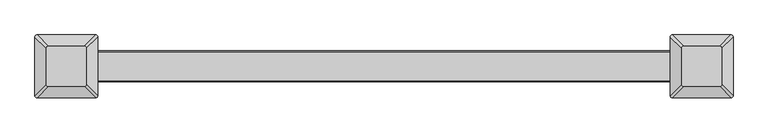
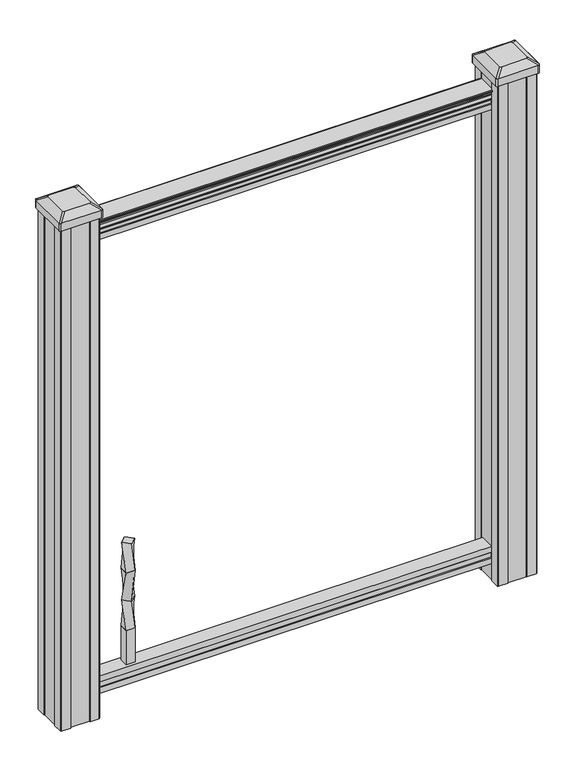
"""IFC4 building model written with IfcOpenShell, lengths in millimetres: proxy geometry."""

import ifcopenshell
import ifcopenshell.guid

model = None  # the IFC model being written
_history = None  # IfcOwnerHistory: only IFC2X3 demands one
_inside = {}  # id of a spatial element -> (the spatial element, [elements in it])
_under = {}  # id of a project, library or spatial element -> (it, [spatial elements below it])
_declared = {}  # id of a project -> (the project, [libraries it declares])
_typed = {}  # id of a type object -> (the type object, [elements of that type])
_made_of = {}  # id of a material, layer set ... -> (it, [elements and type objects made of it])


def new_model(schema):
    """Start an empty IFC model of exactly this schema.

    Asked for "IFC4X3", IfcOpenShell would pick the latest addendum, in which some entities
    have other attributes; the version numbers below select the first issue.
    IFC2X3 requires an IfcOwnerHistory on every rooted entity: one is made here for all.
    """
    global model, _history
    if schema == "IFC4X3":
        model = ifcopenshell.file(schema_version=(4, 3, 0, 0))
    else:
        model = ifcopenshell.file(schema=schema)
    _inside.clear()
    _under.clear()
    _declared.clear()
    _typed.clear()
    _made_of.clear()
    _history = None
    if model.schema == "IFC2X3":
        org = make("IfcOrganization", Name="unknown")
        user = make(
            "IfcPersonAndOrganization",
            ThePerson=make("IfcPerson", FamilyName="unknown"),
            TheOrganization=org,
        )
        app = make(
            "IfcApplication",
            ApplicationDeveloper=org,
            Version="unknown",
            ApplicationFullName="unknown",
            ApplicationIdentifier="unknown",
        )
        _history = make(
            "IfcOwnerHistory",
            OwningUser=user,
            OwningApplication=app,
            ChangeAction="ADDED",
            CreationDate=0,
        )
    return model


def make(cls, **values):
    """One entity of the class cls with the attributes given. An attribute that is None is left unset."""
    return model.create_entity(
        cls, **{name: value for name, value in values.items() if value is not None}
    )


def rooted(cls, **values):
    """An entity with a GlobalId (a new one), such as an element, a storey or a relation."""
    return make(cls, GlobalId=ifcopenshell.guid.new(), OwnerHistory=_history, **values)


def si_unit(unit_type, name, prefix=None):
    """IfcSIUnit, for example si_unit("LENGTHUNIT", "METRE", prefix="MILLI")."""
    return make("IfcSIUnit", UnitType=unit_type, Prefix=prefix, Name=name)


def assignment(units):
    """IfcUnitAssignment: the units of a project."""
    return None if units is None else make("IfcUnitAssignment", Units=units)


def point(xyz):
    """IfcCartesianPoint."""
    return None if xyz is None else make("IfcCartesianPoint", Coordinates=xyz)


def direction(xyz):
    """IfcDirection."""
    return None if xyz is None else make("IfcDirection", DirectionRatios=xyz)


def frame(location, z_axis=None, x_axis=None):
    """IfcAxis2Placement3D, a coordinate frame: its origin and axes. An axis left out is left unset."""
    return make(
        "IfcAxis2Placement3D",
        Location=point(location),
        Axis=direction(z_axis),
        RefDirection=direction(x_axis),
    )


def frame_2d(location, x_axis=None):
    """IfcAxis2Placement2D, a coordinate frame in the plane: its origin and x axis."""
    return make(
        "IfcAxis2Placement2D", Location=point(location), RefDirection=direction(x_axis)
    )


def origin():
    """The frame at (0, 0, 0) with its axes left unset."""
    return frame((0.0, 0.0, 0.0))


def place(relative_to, where):
    """IfcLocalPlacement: puts the frame where relative to a parent placement (None: the world)."""
    return make(
        "IfcLocalPlacement", PlacementRelTo=relative_to, RelativePlacement=where
    )


def context(
    kind, dimensions, precision=None, world=None, true_north=None, identifier=None
):
    """IfcGeometricRepresentationContext, for example the 3D "Model" context."""
    return make(
        "IfcGeometricRepresentationContext",
        ContextIdentifier=identifier,
        ContextType=kind,
        CoordinateSpaceDimension=dimensions,
        Precision=precision,
        WorldCoordinateSystem=world,
        TrueNorth=true_north,
    )


def project(units=None, contexts=None):
    """IfcProject with its units and contexts."""
    return rooted(
        "IfcProject",
        Name="project",
        RepresentationContexts=contexts,
        UnitsInContext=assignment(units),
    )


def spatial(cls, under=None, at=None, **own):
    """A site, building, storey or space (cls), placed at a placement, below another one or the project."""
    s = rooted(cls, ObjectPlacement=at, **own)
    if under is not None:
        _under.setdefault(under.id(), (under, []))[1].append(s)
    return s


def polyline(points):
    """IfcPolyline through the points."""
    return make("IfcPolyline", Points=[point(p) for p in points])


def circle_curve(where, radius):
    """IfcCircle in the frame where."""
    return make("IfcCircle", Position=where, Radius=radius)


def trimmed(basis, trim1, trim2, sense, master):
    """IfcTrimmedCurve: the piece of a basis curve between two trims."""
    return make(
        "IfcTrimmedCurve",
        BasisCurve=basis,
        Trim1=trim1,
        Trim2=trim2,
        SenseAgreement=sense,
        MasterRepresentation=master,
    )


def segment(curve, same_sense, transition):
    """IfcCompositeCurveSegment."""
    return make(
        "IfcCompositeCurveSegment",
        Transition=transition,
        SameSense=same_sense,
        ParentCurve=curve,
    )


def composite_curve(segments, self_intersect=None):
    """IfcCompositeCurve: segments joined end to end."""
    return make("IfcCompositeCurve", Segments=segments, SelfIntersect=self_intersect)


def outline(outer, holes=None, kind="AREA"):
    """IfcArbitraryClosedProfileDef: a profile drawn as a closed curve; with holes, ...WithVoids."""
    if holes is None:
        return make("IfcArbitraryClosedProfileDef", ProfileType=kind, OuterCurve=outer)
    return make(
        "IfcArbitraryProfileDefWithVoids",
        ProfileType=kind,
        OuterCurve=outer,
        InnerCurves=holes,
    )


def extrude(swept, where, along, depth):
    """IfcExtrudedAreaSolid: the profile swept, set in the frame where, extruded along a direction by depth."""
    return make(
        "IfcExtrudedAreaSolid",
        SweptArea=swept,
        Position=where,
        ExtrudedDirection=direction(along),
        Depth=depth,
    )


def shape(context_of_items, identifier, shape_type, items):
    """IfcShapeRepresentation: the items that make up one representation, for example the "Body"."""
    return make(
        "IfcShapeRepresentation",
        ContextOfItems=context_of_items,
        RepresentationIdentifier=identifier,
        RepresentationType=shape_type,
        Items=items,
    )


def source(mapping_origin, context_of_items, identifier, shape_type, items):
    """IfcRepresentationMap: a shape defined once, which mapped items show again and again."""
    return make(
        "IfcRepresentationMap",
        MappingOrigin=mapping_origin,
        MappedRepresentation=shape(context_of_items, identifier, shape_type, items),
    )


def transform(
    local_origin,
    x_axis=None,
    y_axis=None,
    z_axis=None,
    scale=None,
    scale2=None,
    scale3=None,
    uniform=True,
):
    """IfcCartesianTransformationOperator3D, or its non-uniform kind. x_axis, y_axis, z_axis: its Axis1, 2, 3."""
    if uniform:
        return make(
            "IfcCartesianTransformationOperator3D",
            Axis1=direction(x_axis),
            Axis2=direction(y_axis),
            LocalOrigin=point(local_origin),
            Scale=scale,
            Axis3=direction(z_axis),
        )
    return make(
        "IfcCartesianTransformationOperator3DnonUniform",
        Axis1=direction(x_axis),
        Axis2=direction(y_axis),
        LocalOrigin=point(local_origin),
        Scale=scale,
        Axis3=direction(z_axis),
        Scale2=scale2,
        Scale3=scale3,
    )


def mapped(mapping_source, mapping_target):
    """IfcMappedItem: shows the shape of a source again, moved by a transform."""
    return make(
        "IfcMappedItem", MappingSource=mapping_source, MappingTarget=mapping_target
    )


def made_of(thing, what):
    """Note that an element or type object is made of a material, layer set ...; save() writes the relation."""
    if what is not None:
        _made_of.setdefault(what.id(), (what, []))[1].append(thing)
    return thing


def element(
    cls,
    number,
    at=None,
    inside=None,
    cuts=None,
    type_object=None,
    material=None,
    context=None,
    identifier="Body",
    shape_type=None,
    held_by="IfcProductDefinitionShape",
    body=None,
    shapes=None,
    **own,
):
    """One element of the class cls, such as IfcWall. Its Tag is "e" and its number.

    at: its placement. inside: the storey or other place that contains it. cuts: it is an
    opening in that element (IfcRelVoidsElement). A single representation is given by context,
    identifier, shape_type and body (its items); several are given by shapes. held_by: the class
    of the entity that holds the representations. save() writes the other relations.
    """
    e = rooted(cls, Tag="e%d" % number, ObjectPlacement=at, **own)
    if body is not None:
        shapes = [shape(context, identifier, shape_type, body)]
    if shapes is not None:
        e.Representation = make(held_by, Representations=shapes)
    if inside is not None:
        _inside.setdefault(inside.id(), (inside, []))[1].append(e)
    if cuts is not None:
        rooted(
            "IfcRelVoidsElement", RelatingBuildingElement=cuts, RelatedOpeningElement=e
        )
    if type_object is not None:
        _typed.setdefault(type_object.id(), (type_object, []))[1].append(e)
    return made_of(e, material)


def aggregate(whole, parts):
    """IfcRelAggregates: a whole, such as a stair, and the parts it consists of."""
    return rooted("IfcRelAggregates", RelatingObject=whole, RelatedObjects=parts)


def save(model, path):
    """Write the relations noted so far, then the file.

    IfcRelAggregates (storeys below a building ...), IfcRelContainedInSpatialStructure (elements
    in a storey), IfcRelDefinesByType, IfcRelAssociatesMaterial and IfcRelDeclares: one each for
    every whole, place, type object, material and project.
    """
    for whole, parts in _under.values():
        aggregate(whole, parts)
    for where, things in _inside.values():
        rooted(
            "IfcRelContainedInSpatialStructure",
            RelatedElements=things,
            RelatingStructure=where,
        )
    for kind, things in _typed.values():
        rooted("IfcRelDefinesByType", RelatedObjects=things, RelatingType=kind)
    for what, things in _made_of.values():
        rooted("IfcRelAssociatesMaterial", RelatedObjects=things, RelatingMaterial=what)
    for by, libraries in _declared.values():
        rooted("IfcRelDeclares", RelatingContext=by, RelatedDefinitions=libraries)
    model.write(path)


def plane_surface(at):
    """IfcPlane: the flat surface through the origin of the frame at, square to its z axis."""
    return make("IfcPlane", Position=at)


def extruded_surface(curve, direction_of_extrusion, depth):
    """IfcSurfaceOfLinearExtrusion: the curve pushed along a direction by depth."""
    return make(
        "IfcSurfaceOfLinearExtrusion",
        SweptCurve=make("IfcArbitraryOpenProfileDef", ProfileType="CURVE", Curve=curve),
        ExtrudedDirection=direction(direction_of_extrusion),
        Depth=depth,
    )


def spline_surface(u_degree, v_degree, points, u_multiplicities, v_multiplicities, u_knots, v_knots, weights=None):
    """IfcBSplineSurfaceWithKnots; with weights, IfcRationalBSplineSurfaceWithKnots. points: one row for each step in u."""
    own = dict(
        UDegree=u_degree,
        VDegree=v_degree,
        ControlPointsList=[[point(p) for p in row] for row in points],
        SurfaceForm="UNSPECIFIED",
        UClosed=False,
        VClosed=False,
        SelfIntersect=False,
        UMultiplicities=u_multiplicities,
        VMultiplicities=v_multiplicities,
        UKnots=u_knots,
        VKnots=v_knots,
        KnotSpec="UNSPECIFIED",
    )
    if weights is None:
        return make("IfcBSplineSurfaceWithKnots", **own)
    return make("IfcRationalBSplineSurfaceWithKnots", WeightsData=weights, **own)


def advanced_brep(points, edges, surfaces, faces):
    """IfcAdvancedBrep: a solid bounded by faces that lie on surfaces and meet in shared edges.

    An edge is (start, end): straight between two places in points (the first is 0);
    or (start, end, curve); or (start, end, curve, False) where it runs against its curve.
    A face is (place in surfaces, loops), or (place, loops, False) where it looks against
    its surface's normal. A loop lists edges by number (the first is 1), with a minus sign
    where the edge is run from its end to its start. The first loop is the outer one.
    """
    corners = [point(p) for p in points]
    vertices = [make("IfcVertexPoint", VertexGeometry=c) for c in corners]
    made = []
    for start, end, *more in edges:
        made.append(
            make(
                "IfcEdgeCurve",
                EdgeStart=vertices[start],
                EdgeEnd=vertices[end],
                EdgeGeometry=more[0] if more else make("IfcPolyline", Points=[corners[start], corners[end]]),
                SameSense=more[1] if len(more) > 1 else True,
            )
        )
    hull = []
    for where, loops, *sense in faces:
        bounds = []
        for j, loop in enumerate(loops):
            ring = [make("IfcOrientedEdge", EdgeElement=made[abs(k) - 1], Orientation=k > 0) for k in loop]
            bounds.append(
                make(
                    "IfcFaceOuterBound" if j == 0 else "IfcFaceBound",
                    Bound=make("IfcEdgeLoop", EdgeList=ring),
                    Orientation=True,
                )
            )
        hull.append(make("IfcAdvancedFace", Bounds=bounds, FaceSurface=surfaces[where], SameSense=sense[0] if sense else True))
    return make("IfcAdvancedBrep", Outer=make("IfcClosedShell", CfsFaces=hull))


def specialty_equipment_5d429b3c(model_context):
    return source(origin(), model_context, "Body", "SolidModel", [
        advanced_brep(
        [(-333.375, 13.4703842, 368.3), (-346.8453842, 0.0, 368.3), (-333.375, -13.4703842, 368.3), (-319.9046158, 0.0, 368.3), (-342.9, 9.525, 304.8), (-323.85, 9.525, 304.8), (-323.85, -9.525, 304.8), (-342.9, -9.525, 304.8)],
        [
            (0, 1),
            (1, 2),
            (2, 3),
            (3, 0),
            (4, 5),
            (5, 6),
            (6, 7),
            (7, 4),
            (4, 0),
            (3, 5),
            (2, 6),
            (1, 7),
        ],
        [
            plane_surface(frame((-333.375, 0.0, 368.3), z_axis=(0.0, 0.0, 1.0000000000000002), x_axis=(0.7071067811865481, -0.707106781186547, 0.0))),
            plane_surface(frame((-333.375, 0.0, 304.8), z_axis=(0.0, 0.0, -1.0000000000000002), x_axis=(0.7071067811865481, -0.707106781186547, 0.0))),
            spline_surface(1, 1, [[(-323.85, 9.525, 304.8), (-319.9046158, 0.0, 368.3)], [(-342.9, 9.525, 304.8), (-333.375, 13.4703842, 368.3)]], [2, 2], [2, 2], [0.0, 1.0], [0.0, 1.0]),
            spline_surface(1, 1, [[(-323.85, -9.525, 304.8), (-333.375, -13.4703842, 368.3)], [(-323.85, 9.525, 304.8), (-319.9046158, 0.0, 368.3)]], [2, 2], [2, 2], [0.0, 1.0], [0.0, 1.0]),
            spline_surface(1, 1, [[(-342.9, -9.525, 304.8), (-346.8453842, 0.0, 368.3)], [(-323.85, -9.525, 304.8), (-333.375, -13.4703842, 368.3)]], [2, 2], [2, 2], [0.0, 1.0], [0.0, 1.0]),
            spline_surface(1, 1, [[(-342.9, 9.525, 304.8), (-333.375, 13.4703842, 368.3)], [(-342.9, -9.525, 304.8), (-346.8453842, 0.0, 368.3)]], [2, 2], [2, 2], [0.0, 1.0], [0.0, 1.0]),
        ],
        [
            (0, [[1, 2, 3, 4]]),
            (1, [[5, 6, 7, 8]]),
            (2, [[-5, 9, -4, 10]]),
            (3, [[-6, -10, -3, 11]]),
            (4, [[-7, -11, -2, 12]]),
            (5, [[-8, -12, -1, -9]]),
        ],
    ),
        advanced_brep(
        [(-342.9, 9.525, 304.8), (-342.9, -9.525, 304.8), (-323.85, -9.525, 304.8), (-323.85, 9.525, 304.8), (-333.375, 13.4703842, 241.3), (-319.9046158, 0.0, 241.3), (-333.375, -13.4703842, 241.3), (-346.8453842, 0.0, 241.3)],
        [
            (0, 1),
            (1, 2),
            (2, 3),
            (3, 0),
            (4, 5),
            (5, 6),
            (6, 7),
            (7, 4),
            (4, 0),
            (3, 5),
            (2, 6),
            (1, 7),
        ],
        [
            plane_surface(frame((-333.375, 0.0, 304.8), z_axis=(0.0, 0.0, 1.0), x_axis=(0.0, -1.0, 0.0))),
            plane_surface(frame((-333.375, 0.0, 241.3), z_axis=(0.0, 0.0, -1.0), x_axis=(0.0, -1.0, 0.0))),
            spline_surface(1, 1, [[(-319.9046158, 0.0, 241.3), (-323.85, 9.525, 304.8)], [(-333.375, 13.4703842, 241.3), (-342.9, 9.525, 304.8)]], [2, 2], [2, 2], [0.0, 1.0], [0.0, 1.0]),
            spline_surface(1, 1, [[(-333.375, -13.4703842, 241.3), (-323.85, -9.525, 304.8)], [(-319.9046158, 0.0, 241.3), (-323.85, 9.525, 304.8)]], [2, 2], [2, 2], [0.0, 1.0], [0.0, 1.0]),
            spline_surface(1, 1, [[(-346.8453842, 0.0, 241.3), (-342.9, -9.525, 304.8)], [(-333.375, -13.4703842, 241.3), (-323.85, -9.525, 304.8)]], [2, 2], [2, 2], [0.0, 1.0], [0.0, 1.0]),
            spline_surface(1, 1, [[(-333.375, 13.4703842, 241.3), (-342.9, 9.525, 304.8)], [(-346.8453842, 0.0, 241.3), (-342.9, -9.525, 304.8)]], [2, 2], [2, 2], [0.0, 1.0], [0.0, 1.0]),
        ],
        [
            (0, [[1, 2, 3, 4]]),
            (1, [[5, 6, 7, 8]]),
            (2, [[-5, 9, -4, 10]]),
            (3, [[-6, -10, -3, 11]]),
            (4, [[-7, -11, -2, 12]]),
            (5, [[-8, -12, -1, -9]]),
        ],
    ),
        advanced_brep(
        [(-333.375, 13.4703842, 241.3), (-346.8453842, 0.0, 241.3), (-333.375, -13.4703842, 241.3), (-319.9046158, 0.0, 241.3), (-342.9, 9.525, 177.8), (-323.85, 9.525, 177.8), (-323.85, -9.525, 177.8), (-342.9, -9.525, 177.8)],
        [
            (0, 1),
            (1, 2),
            (2, 3),
            (3, 0),
            (4, 5),
            (5, 6),
            (6, 7),
            (7, 4),
            (4, 0),
            (3, 5),
            (2, 6),
            (1, 7),
        ],
        [
            plane_surface(frame((-333.375, 0.0, 241.3), z_axis=(0.0, 0.0, 1.0000000000000002), x_axis=(0.7071067811865481, -0.707106781186547, 0.0))),
            plane_surface(frame((-333.375, 0.0, 177.8), z_axis=(0.0, 0.0, -1.0000000000000002), x_axis=(0.7071067811865481, -0.707106781186547, 0.0))),
            spline_surface(1, 1, [[(-323.85, 9.525, 177.8), (-319.9046158, 0.0, 241.3)], [(-342.9, 9.525, 177.8), (-333.375, 13.4703842, 241.3)]], [2, 2], [2, 2], [0.0, 1.0], [0.0, 1.0]),
            spline_surface(1, 1, [[(-323.85, -9.525, 177.8), (-333.375, -13.4703842, 241.3)], [(-323.85, 9.525, 177.8), (-319.9046158, 0.0, 241.3)]], [2, 2], [2, 2], [0.0, 1.0], [0.0, 1.0]),
            spline_surface(1, 1, [[(-342.9, -9.525, 177.8), (-346.8453842, 0.0, 241.3)], [(-323.85, -9.525, 177.8), (-333.375, -13.4703842, 241.3)]], [2, 2], [2, 2], [0.0, 1.0], [0.0, 1.0]),
            spline_surface(1, 1, [[(-342.9, 9.525, 177.8), (-333.375, 13.4703842, 241.3)], [(-342.9, -9.525, 177.8), (-346.8453842, 0.0, 241.3)]], [2, 2], [2, 2], [0.0, 1.0], [0.0, 1.0]),
        ],
        [
            (0, [[1, 2, 3, 4]]),
            (1, [[5, 6, 7, 8]]),
            (2, [[-5, 9, -4, 10]]),
            (3, [[-6, -10, -3, 11]]),
            (4, [[-7, -11, -2, 12]]),
            (5, [[-8, -12, -1, -9]]),
        ],
    ),
        extrude(outline(polyline([(-323.85, 9.525), (-323.85, -9.525), (-342.9, -9.525), (-342.9, 9.525), (-323.85, 9.525)])), frame((0.0, 0.0, 101.6), z_axis=(0.0, 0.0, 1.0), x_axis=(1.0, 0.0, 0.0)), (0.0, 0.0, 1.0), 76.2),
        extrude(outline(composite_curve([segment(polyline([(1090.8043297, 17.4328287), (1092.692412, 17.4328287)]), True, "CONTINUOUS"), segment(trimmed(circle_curve(frame_2d((1098.4506383, 11.1180755)), 8.545951), [point((1092.692412, 17.4328287))], [point((1094.2546695, 18.563015))], False, "CARTESIAN"), True, "CONTINUOUS"), segment(trimmed(circle_curve(frame_2d((1097.8636577, 11.5551384)), 7.882584), [point((1094.2546695, 18.563015))], [point((1101.4726458, 18.563015))], False, "CARTESIAN"), True, "CONTINUOUS"), segment(trimmed(circle_curve(frame_2d((1103.7112527, 22.0684625)), 4.1592695), [point((1101.4726458, 18.563015))], [point((1103.9060812, 17.9137586))], True, "CARTESIAN"), True, "CONTINUOUS"), segment(trimmed(circle_curve(frame_2d((1103.6508864, 23.3557691)), 5.4479907), [point((1103.9060812, 17.9137586))], [point((1108.2362083, 20.4137586))], True, "CARTESIAN"), True, "CONTINUOUS"), segment(trimmed(circle_curve(frame_2d((1108.233395, 22.1226107)), 1.7088543), [point((1108.2362083, 20.4137586))], [point((1109.9157972, 21.8231011))], True, "CARTESIAN"), True, "CONTINUOUS"), segment(trimmed(circle_curve(frame_2d((1111.0205318, 20.5057106)), 1.7192895), [point((1109.9157972, 21.8231011))], [point((1111.0205318, 22.2250001))], False, "CARTESIAN"), True, "CONTINUOUS"), segment(polyline([(1111.0205318, 22.2250001), (1112.3608158, 22.225)]), True, "CONTINUOUS"), segment(trimmed(circle_curve(frame_2d((1112.3608158, 20.6715528)), 1.5534472), [point((1112.3608158, 22.225))], [point((1113.914263, 20.6715528))], False, "CARTESIAN"), True, "CONTINUOUS"), segment(polyline([(1113.914263, 20.6715528), (1113.914263, -20.6715528)]), True, "CONTINUOUS"), segment(trimmed(circle_curve(frame_2d((1112.3608158, -20.6715528)), 1.5534472), [point((1113.914263, -20.6715528))], [point((1112.3608158, -22.225))], False, "CARTESIAN"), True, "CONTINUOUS"), segment(polyline([(1112.3608158, -22.225), (1111.0205318, -22.225)]), True, "CONTINUOUS"), segment(trimmed(circle_curve(frame_2d((1111.0205318, -20.5057106)), 1.7192895), [point((1111.0205318, -22.225))], [point((1109.9157972, -21.8231011))], False, "CARTESIAN"), True, "CONTINUOUS"), segment(trimmed(circle_curve(frame_2d((1108.233395, -22.1226107)), 1.7088543), [point((1109.9157972, -21.8231011))], [point((1108.2362083, -20.4137586))], True, "CARTESIAN"), True, "CONTINUOUS"), segment(trimmed(circle_curve(frame_2d((1103.6508864, -23.3557691)), 5.4479907), [point((1108.2362083, -20.4137586))], [point((1103.9060812, -17.9137586))], True, "CARTESIAN"), True, "CONTINUOUS"), segment(trimmed(circle_curve(frame_2d((1103.7112527, -22.0684625)), 4.1592695), [point((1103.9060812, -17.9137586))], [point((1101.4726458, -18.563015))], True, "CARTESIAN"), True, "CONTINUOUS"), segment(trimmed(circle_curve(frame_2d((1097.8636577, -11.5551384)), 7.882584), [point((1101.4726458, -18.563015))], [point((1094.2546695, -18.563015))], False, "CARTESIAN"), True, "CONTINUOUS"), segment(trimmed(circle_curve(frame_2d((1098.4506383, -11.1180755)), 8.545951), [point((1094.2546695, -18.563015))], [point((1092.692412, -17.4328287))], False, "CARTESIAN"), True, "CONTINUOUS"), segment(polyline([(1092.692412, -17.4328287), (1090.8043297, -17.4328287)]), True, "CONTINUOUS"), segment(trimmed(circle_curve(frame_2d((1090.8043297, -16.1459144)), 1.2869144), [point((1090.8043297, -17.4328287))], [point((1090.8043297, -14.859))], False, "CARTESIAN"), True, "CONTINUOUS"), segment(polyline([(1090.8043297, -14.859), (1080.3048283, -14.859), (1079.2888283, -15.875), (1066.8, -15.875), (1066.8, 15.875), (1079.131013, 15.875), (1080.147013, 14.859), (1090.8043297, 14.859)]), True, "CONTINUOUS"), segment(trimmed(circle_curve(frame_2d((1090.8043297, 16.1459144)), 1.2869144), [point((1090.8043297, 14.859))], [point((1090.8043297, 17.4328287))], False, "CARTESIAN"), True, "CONTINUOUS")], self_intersect=False)), frame((457.2, 0.0, 0.0), z_axis=(-1.0, 0.0, 0.0), x_axis=(0.0, 0.0, 1.0)), (0.0, 0.0, 1.0), 914.4),
        extrude(outline(polyline([(-15.9124869, 76.0541976), (-14.8964869, 77.3546183), (-14.8964869, 87.7141717), (-15.9124869, 89.0624492), (-15.9124869, 101.5958781), (15.8375131, 101.5958781), (15.8375131, 89.0458024), (14.8215131, 87.6975248), (14.8215131, 77.3858283), (15.8375131, 76.0375508), (15.8375131, 63.5), (-15.9124869, 63.5), (-15.9124869, 76.0541976)])), frame((-457.2, 0.0, 0.0), z_axis=(1.0, 0.0, 0.0), x_axis=(0.0, 1.0, 0.0)), (0.0, 0.0, 1.0), 914.4),
        advanced_brep(
        [(431.403125, 28.971875, 1165.225), (428.228125, 25.796875, 1165.225), (428.228125, -25.796875, 1165.225), (431.403125, -28.971875, 1165.225), (482.996875, -28.971875, 1165.225), (486.171875, -25.796875, 1165.225), (486.171875, 25.796875, 1165.225), (482.996875, 28.971875, 1165.225), (415.13125, 45.24375, 1153.922), (499.26875, 45.24375, 1153.922), (502.44375, 42.06875, 1153.922), (502.44375, -42.06875, 1153.922), (499.26875, -45.24375, 1153.922), (415.13125, -45.24375, 1153.922), (411.95625, -42.06875, 1153.922), (411.95625, 42.06875, 1153.922)],
        [
            (0, 1, circle_curve(frame((431.403125, 25.796875, 1165.225), z_axis=(0.0, 0.0, 1.0), x_axis=(0.0, -1.0, 0.0)), 3.175)),
            (1, 2),
            (2, 3, circle_curve(frame((431.403125, -25.796875, 1165.225), z_axis=(0.0, 0.0, 1.0), x_axis=(0.0, -1.0, 0.0)), 3.175)),
            (3, 4),
            (4, 5, circle_curve(frame((482.996875, -25.796875, 1165.225), z_axis=(0.0, 0.0, 1.0), x_axis=(0.0, -1.0, 0.0)), 3.175)),
            (5, 6),
            (6, 7, circle_curve(frame((482.996875, 25.796875, 1165.225), z_axis=(0.0, 0.0, 1.0), x_axis=(0.0, -1.0, 0.0)), 3.175)),
            (7, 0),
            (8, 9),
            (9, 10, circle_curve(frame((499.26875, 42.06875, 1153.922), z_axis=(0.0, 0.0, -1.0), x_axis=(0.0, -1.0, 0.0)), 3.175)),
            (10, 11),
            (11, 12, circle_curve(frame((499.26875, -42.06875, 1153.922), z_axis=(0.0, 0.0, -1.0), x_axis=(0.0, -1.0, 0.0)), 3.175)),
            (12, 13),
            (13, 14, circle_curve(frame((415.13125, -42.06875, 1153.922), z_axis=(0.0, 0.0, -1.0), x_axis=(0.0, -1.0, 0.0)), 3.175)),
            (14, 15),
            (15, 8, circle_curve(frame((415.13125, 42.06875, 1153.922), z_axis=(0.0, 0.0, -1.0), x_axis=(0.0, -1.0, 0.0)), 3.175)),
            (15, 1),
            (0, 8),
            (14, 2),
            (13, 3),
            (12, 4),
            (11, 5),
            (10, 6),
            (9, 7),
        ],
        [
            plane_surface(frame((457.2, 0.0, 1165.225), z_axis=(0.0, 0.0, 1.0), x_axis=(-1.0, 0.0, 0.0))),
            plane_surface(frame((457.2, 0.0, 1153.922), z_axis=(0.0, 0.0, -1.0), x_axis=(-1.0, 0.0, 0.0))),
            extruded_surface(trimmed(circle_curve(frame((415.13125, 42.06875, 1153.922), z_axis=(0.0, 0.0, 1.0), x_axis=(0.0, -1.0, 0.0)), 3.175), [point((415.13125, 45.24375, 1153.922))], [point((411.95625, 42.06875, 1153.922))], True, "CARTESIAN"), (16.271874999999966, -16.271875, 11.302999999999884), 25.637972638866092),
            plane_surface(frame((411.95625, 0.0, 1153.922), z_axis=(-0.5705009161540777, 0.0, 0.8212969649690409), x_axis=(0.0, -1.0, 0.0))),
            extruded_surface(trimmed(circle_curve(frame((415.13125, -42.06875, 1153.922), z_axis=(0.0, 0.0, 1.0), x_axis=(0.0, -1.0, 0.0)), 3.175), [point((411.95625, -42.06875, 1153.922))], [point((415.13125, -45.24375, 1153.922))], True, "CARTESIAN"), (16.271874999999966, 16.271875, 11.302999999999884), 25.637972638866092),
            plane_surface(frame((457.2, -45.24375, 1153.922), z_axis=(0.0, -0.5705009161540291, 0.8212969649690747), x_axis=(1.0, 0.0, 0.0))),
            extruded_surface(trimmed(circle_curve(frame((499.26875, -42.06875, 1153.922), z_axis=(0.0, 0.0, 1.0), x_axis=(0.0, -1.0, 0.0)), 3.175), [point((499.26875, -45.24375, 1153.922))], [point((502.44375, -42.06875, 1153.922))], True, "CARTESIAN"), (-16.271875000000023, 16.271875, 11.302999999999884), 25.637972638866128),
            plane_surface(frame((502.44375, 0.0, 1153.922), z_axis=(0.5705009161540143, 0.0, 0.821296964969085), x_axis=(0.0, 1.0, 0.0))),
            extruded_surface(trimmed(circle_curve(frame((499.26875, 42.06875, 1153.922), z_axis=(0.0, 0.0, 1.0), x_axis=(0.0, -1.0, 0.0)), 3.175), [point((502.44375, 42.06875, 1153.922))], [point((499.26875, 45.24375, 1153.922))], True, "CARTESIAN"), (-16.271875000000023, -16.271875, 11.302999999999884), 25.637972638866128),
            plane_surface(frame((457.2, 45.24375, 1153.922), z_axis=(0.0, 0.570500916154034, 0.8212969649690713), x_axis=(-1.0, 0.0, 0.0))),
        ],
        [
            (0, [[1, 2, 3, 4, 5, 6, 7, 8]]),
            (1, [[9, 10, 11, 12, 13, 14, 15, 16]]),
            (2, [[-16, 17, -1, 18]]),
            (3, [[-15, 19, -2, -17]]),
            (4, [[-14, 20, -3, -19]]),
            (5, [[-13, 21, -4, -20]]),
            (6, [[-12, 22, -5, -21]]),
            (7, [[-11, 23, -6, -22]]),
            (8, [[-10, 24, -7, -23]]),
            (9, [[-9, -18, -8, -24]]),
        ],
    ),
        extrude(outline(composite_curve([segment(polyline([(415.13125, 45.24375), (499.26875, 45.24375)]), True, "CONTINUOUS"), segment(trimmed(circle_curve(frame_2d((499.26875, 42.06875)), 3.175), [point((499.26875, 45.24375))], [point((502.44375, 42.06875))], False, "CARTESIAN"), True, "CONTINUOUS"), segment(polyline([(502.44375, 42.06875), (502.44375, -42.06875)]), True, "CONTINUOUS"), segment(trimmed(circle_curve(frame_2d((499.26875, -42.06875)), 3.175), [point((502.44375, -42.06875))], [point((499.26875, -45.24375))], False, "CARTESIAN"), True, "CONTINUOUS"), segment(polyline([(499.26875, -45.24375), (415.13125, -45.24375)]), True, "CONTINUOUS"), segment(trimmed(circle_curve(frame_2d((415.13125, -42.06875)), 3.175), [point((415.13125, -45.24375))], [point((411.95625, -42.06875))], False, "CARTESIAN"), True, "CONTINUOUS"), segment(polyline([(411.95625, -42.06875), (411.95625, 42.06875)]), True, "CONTINUOUS"), segment(trimmed(circle_curve(frame_2d((415.13125, 42.06875)), 3.175), [point((411.95625, 42.06875))], [point((415.13125, 45.24375))], False, "CARTESIAN"), True, "CONTINUOUS")], self_intersect=False)), frame((0.0, 0.0, 1136.65), z_axis=(0.0, 0.0, 1.0), x_axis=(1.0, 0.0, 0.0)), (0.0, 0.0, 1.0), 17.272),
        extrude(outline(polyline([(417.5125, 41.275), (437.134, 41.275), (437.896, 39.6875), (476.504, 39.6875), (477.266, 41.275), (496.8875, 41.275), (498.475, 39.6875), (498.475, 20.066), (496.8875, 19.304), (496.8875, -19.304), (498.475, -20.066), (498.475, -39.6875), (496.8875, -41.275), (477.266, -41.275), (476.504, -39.6875), (437.896, -39.6875), (437.134, -41.275), (417.5125, -41.275), (415.925, -39.6875), (415.925, -20.066), (417.5125, -19.304), (417.5125, 19.304), (415.925, 20.066), (415.925, 39.6875), (417.5125, 41.275)])), frame((0.0, 0.0, 28.575), z_axis=(0.0, 0.0, 1.0), x_axis=(1.0, 0.0, 0.0)), (0.0, 0.0, 1.0), 1108.075),
        advanced_brep(
        [(-482.996875, 28.971875, 1165.225), (-486.171875, 25.796875, 1165.225), (-486.171875, -25.796875, 1165.225), (-482.996875, -28.971875, 1165.225), (-431.403125, -28.971875, 1165.225), (-428.228125, -25.796875, 1165.225), (-428.228125, 25.796875, 1165.225), (-431.403125, 28.971875, 1165.225), (-499.26875, 45.24375, 1153.922), (-415.13125, 45.24375, 1153.922), (-411.95625, 42.06875, 1153.922), (-411.95625, -42.06875, 1153.922), (-415.13125, -45.24375, 1153.922), (-499.26875, -45.24375, 1153.922), (-502.44375, -42.06875, 1153.922), (-502.44375, 42.06875, 1153.922)],
        [
            (0, 1, circle_curve(frame((-482.996875, 25.796875, 1165.225), z_axis=(0.0, 0.0, 1.0), x_axis=(0.0, -1.0, 0.0)), 3.175)),
            (1, 2),
            (2, 3, circle_curve(frame((-482.996875, -25.796875, 1165.225), z_axis=(0.0, 0.0, 1.0), x_axis=(0.0, -1.0, 0.0)), 3.175)),
            (3, 4),
            (4, 5, circle_curve(frame((-431.403125, -25.796875, 1165.225), z_axis=(0.0, 0.0, 1.0), x_axis=(0.0, -1.0, 0.0)), 3.175)),
            (5, 6),
            (6, 7, circle_curve(frame((-431.403125, 25.796875, 1165.225), z_axis=(0.0, 0.0, 1.0), x_axis=(0.0, -1.0, 0.0)), 3.175)),
            (7, 0),
            (8, 9),
            (9, 10, circle_curve(frame((-415.13125, 42.06875, 1153.922), z_axis=(0.0, 0.0, -1.0), x_axis=(0.0, -1.0, 0.0)), 3.175)),
            (10, 11),
            (11, 12, circle_curve(frame((-415.13125, -42.06875, 1153.922), z_axis=(0.0, 0.0, -1.0), x_axis=(0.0, -1.0, 0.0)), 3.175)),
            (12, 13),
            (13, 14, circle_curve(frame((-499.26875, -42.06875, 1153.922), z_axis=(0.0, 0.0, -1.0), x_axis=(0.0, -1.0, 0.0)), 3.175)),
            (14, 15),
            (15, 8, circle_curve(frame((-499.26875, 42.06875, 1153.922), z_axis=(0.0, 0.0, -1.0), x_axis=(0.0, -1.0, 0.0)), 3.175)),
            (15, 1),
            (0, 8),
            (14, 2),
            (13, 3),
            (12, 4),
            (11, 5),
            (10, 6),
            (9, 7),
        ],
        [
            plane_surface(frame((-457.2, 0.0, 1165.225), z_axis=(0.0, 0.0, 1.0), x_axis=(-1.0, 0.0, 0.0))),
            plane_surface(frame((-457.2, 0.0, 1153.922), z_axis=(0.0, 0.0, -1.0), x_axis=(-1.0, 0.0, 0.0))),
            extruded_surface(trimmed(circle_curve(frame((-499.26875, 42.06875, 1153.922), z_axis=(0.0, 0.0, 1.0), x_axis=(0.0, -1.0, 0.0)), 3.175), [point((-499.26875, 45.24375, 1153.922))], [point((-502.44375, 42.06875, 1153.922))], True, "CARTESIAN"), (16.271875000000023, -16.271875, 11.302999999999884), 25.637972638866128),
            plane_surface(frame((-502.44375, 0.0, 1153.922), z_axis=(-0.5705009161540777, 0.0, 0.8212969649690409), x_axis=(0.0, -1.0, 0.0))),
            extruded_surface(trimmed(circle_curve(frame((-499.26875, -42.06875, 1153.922), z_axis=(0.0, 0.0, 1.0), x_axis=(0.0, -1.0, 0.0)), 3.175), [point((-502.44375, -42.06875, 1153.922))], [point((-499.26875, -45.24375, 1153.922))], True, "CARTESIAN"), (16.271875000000023, 16.271875, 11.302999999999884), 25.637972638866128),
            plane_surface(frame((-457.2, -45.24375, 1153.922), z_axis=(0.0, -0.5705009161540291, 0.8212969649690747), x_axis=(1.0, 0.0, 0.0))),
            extruded_surface(trimmed(circle_curve(frame((-415.13125, -42.06875, 1153.922), z_axis=(0.0, 0.0, 1.0), x_axis=(0.0, -1.0, 0.0)), 3.175), [point((-415.13125, -45.24375, 1153.922))], [point((-411.95625, -42.06875, 1153.922))], True, "CARTESIAN"), (-16.271874999999966, 16.271875, 11.302999999999884), 25.637972638866092),
            plane_surface(frame((-411.95625, 0.0, 1153.922), z_axis=(0.5705009161540143, 0.0, 0.821296964969085), x_axis=(0.0, 1.0, 0.0))),
            extruded_surface(trimmed(circle_curve(frame((-415.13125, 42.06875, 1153.922), z_axis=(0.0, 0.0, 1.0), x_axis=(0.0, -1.0, 0.0)), 3.175), [point((-411.95625, 42.06875, 1153.922))], [point((-415.13125, 45.24375, 1153.922))], True, "CARTESIAN"), (-16.271874999999966, -16.271875, 11.302999999999884), 25.637972638866092),
            plane_surface(frame((-457.2, 45.24375, 1153.922), z_axis=(0.0, 0.570500916154034, 0.8212969649690713), x_axis=(-1.0, 0.0, 0.0))),
        ],
        [
            (0, [[1, 2, 3, 4, 5, 6, 7, 8]]),
            (1, [[9, 10, 11, 12, 13, 14, 15, 16]]),
            (2, [[-16, 17, -1, 18]]),
            (3, [[-15, 19, -2, -17]]),
            (4, [[-14, 20, -3, -19]]),
            (5, [[-13, 21, -4, -20]]),
            (6, [[-12, 22, -5, -21]]),
            (7, [[-11, 23, -6, -22]]),
            (8, [[-10, 24, -7, -23]]),
            (9, [[-9, -18, -8, -24]]),
        ],
    ),
        extrude(outline(composite_curve([segment(polyline([(-499.26875, 45.24375), (-415.13125, 45.24375)]), True, "CONTINUOUS"), segment(trimmed(circle_curve(frame_2d((-415.13125, 42.06875)), 3.175), [point((-415.13125, 45.24375))], [point((-411.95625, 42.06875))], False, "CARTESIAN"), True, "CONTINUOUS"), segment(polyline([(-411.95625, 42.06875), (-411.95625, -42.06875)]), True, "CONTINUOUS"), segment(trimmed(circle_curve(frame_2d((-415.13125, -42.06875)), 3.175), [point((-411.95625, -42.06875))], [point((-415.13125, -45.24375))], False, "CARTESIAN"), True, "CONTINUOUS"), segment(polyline([(-415.13125, -45.24375), (-499.26875, -45.24375)]), True, "CONTINUOUS"), segment(trimmed(circle_curve(frame_2d((-499.26875, -42.06875)), 3.175), [point((-499.26875, -45.24375))], [point((-502.44375, -42.06875))], False, "CARTESIAN"), True, "CONTINUOUS"), segment(polyline([(-502.44375, -42.06875), (-502.44375, 42.06875)]), True, "CONTINUOUS"), segment(trimmed(circle_curve(frame_2d((-499.26875, 42.06875)), 3.175), [point((-502.44375, 42.06875))], [point((-499.26875, 45.24375))], False, "CARTESIAN"), True, "CONTINUOUS")], self_intersect=False)), frame((0.0, 0.0, 1136.65), z_axis=(0.0, 0.0, 1.0), x_axis=(1.0, 0.0, 0.0)), (0.0, 0.0, 1.0), 17.272),
        extrude(outline(polyline([(-496.8875, 41.275), (-477.266, 41.275), (-476.504, 39.6875), (-437.896, 39.6875), (-437.134, 41.275), (-417.5125, 41.275), (-415.925, 39.6875), (-415.925, 20.066), (-417.5125, 19.304), (-417.5125, -19.304), (-415.925, -20.066), (-415.925, -39.6875), (-417.5125, -41.275), (-437.134, -41.275), (-437.896, -39.6875), (-476.504, -39.6875), (-477.266, -41.275), (-496.8875, -41.275), (-498.475, -39.6875), (-498.475, -20.066), (-496.8875, -19.304), (-496.8875, 19.304), (-498.475, 20.066), (-498.475, 39.6875), (-496.8875, 41.275)])), frame((0.0, 0.0, 28.575), z_axis=(0.0, 0.0, 1.0), x_axis=(1.0, 0.0, 0.0)), (0.0, 0.0, 1.0), 1108.075),
    ])


if __name__ == "__main__":
    model = new_model("IFC4")
    model_context = context("Model", 3, world=origin())
    ifc_project = project(units=[si_unit("LENGTHUNIT", "METRE", prefix="MILLI")], contexts=[model_context])
    site = spatial("IfcSite", under=ifc_project)
    building = spatial("IfcBuilding", under=site)
    placement = place(None, origin())
    specialty_equipment_shape = specialty_equipment_5d429b3c(model_context)
    element("IfcBuildingElementProxy", 1, Name="Specialty Equipment", at=placement, inside=building, context=model_context, shape_type="MappedRepresentation", body=[
        mapped(specialty_equipment_shape, transform((0.0, 0.0, 0.0), x_axis=(1.0, 0.0, 0.0), y_axis=(0.0, 1.0, 0.0), z_axis=(0.0, 0.0, 1.0))),
    ])
    save(model, "model.ifc")
